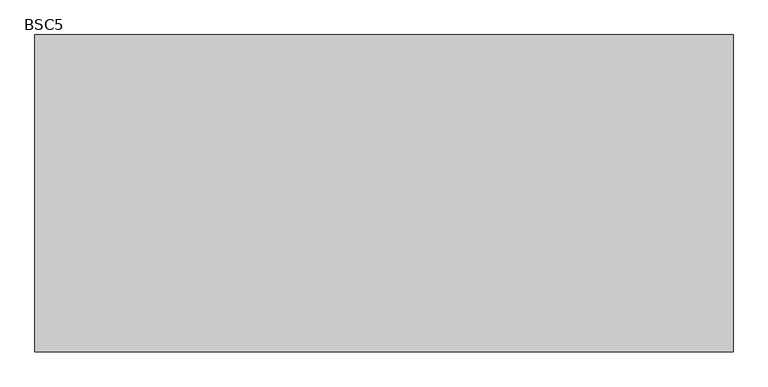
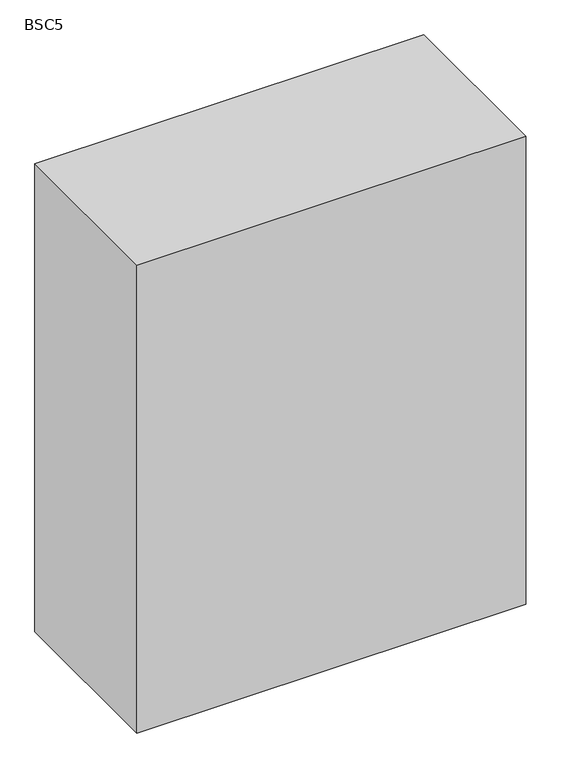
"""IFC4 building model written with IfcOpenShell, lengths in millimetres: proxy geometry, BSC5."""

from ifc_helpers import new_model, si_unit, origin, origin_with_axes, place, context, project, spatial, polyline, outline, extrude, source, transform, mapped, element, save


def bsc5_29e895a9(model_context):
    return source(origin(), model_context, "Body", "SweptSolid", [
        extrude(outline(polyline([(247.3377049, -609.6), (-1429.0622951, -609.6), (-1429.0622951, 152.4), (247.3377049, 152.4), (247.3377049, -609.6)])), origin_with_axes(), (0.0, 0.0, 1.0), 2133.6),
    ])


if __name__ == "__main__":
    model = new_model("IFC4")
    model_context = context("Model", 3, world=origin())
    ifc_project = project(units=[si_unit("LENGTHUNIT", "METRE", prefix="MILLI")], contexts=[model_context])
    site = spatial("IfcSite", under=ifc_project)
    building = spatial("IfcBuilding", under=site)
    placement = place(None, origin())
    bsc5_shape = bsc5_29e895a9(model_context)
    element("IfcBuildingElementProxy", 1, Name="BSC5", ObjectType="BSC5", at=placement, inside=building, context=model_context, shape_type="MappedRepresentation", body=[
        mapped(bsc5_shape, transform((0.0, 0.0, 0.0), x_axis=(1.0, 0.0, 0.0), y_axis=(0.0, 1.0, 0.0), z_axis=(0.0, 0.0, 1.0))),
    ])
    save(model, "model.ifc")
